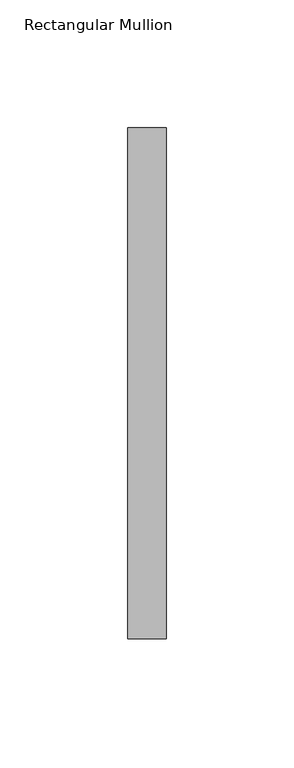
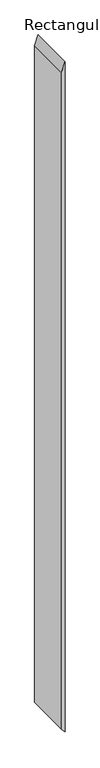
"""IFC4 building model written with IfcOpenShell, lengths in millimetres: member geometry, Rectangular Mullion."""

from ifc_helpers import new_model, si_unit, frame, origin, place, context, project, spatial, polyline, outline, extrude, source, transform, mapped, element, save


def rectangular_mullion_6f90be4e(model_context):
    return source(origin(), model_context, "Body", "SweptSolid", [
        extrude(outline(polyline([(0.0, 0.0), (-43.2409975, -15.0), (-3008.655462, -15.0), (-3026.1781107, 0.0), (0.0, 0.0)])), frame((0.0, -253.0, 0.0), z_axis=(0.0, 1.0, 0.0), x_axis=(0.0, 0.0, 1.0)), (0.0, 0.0, 1.0), 200.0),
    ])


if __name__ == "__main__":
    model = new_model("IFC4")
    model_context = context("Model", 3, world=origin())
    ifc_project = project(units=[si_unit("LENGTHUNIT", "METRE", prefix="MILLI")], contexts=[model_context])
    site = spatial("IfcSite", under=ifc_project)
    building = spatial("IfcBuilding", under=site)
    placement = place(None, origin())
    rectangular_mullion_shape = rectangular_mullion_6f90be4e(model_context)
    element("IfcMember", 1, ObjectType="Rectangular Mullion", at=placement, inside=building, context=model_context, shape_type="MappedRepresentation", body=[
        mapped(rectangular_mullion_shape, transform((0.0, 0.0, 0.0), x_axis=(1.0, 0.0, 0.0), y_axis=(0.0, 1.0, 0.0), z_axis=(0.0, 0.0, 1.0))),
    ])
    save(model, "model.ifc")
